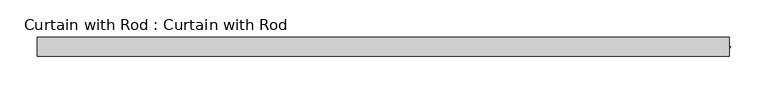
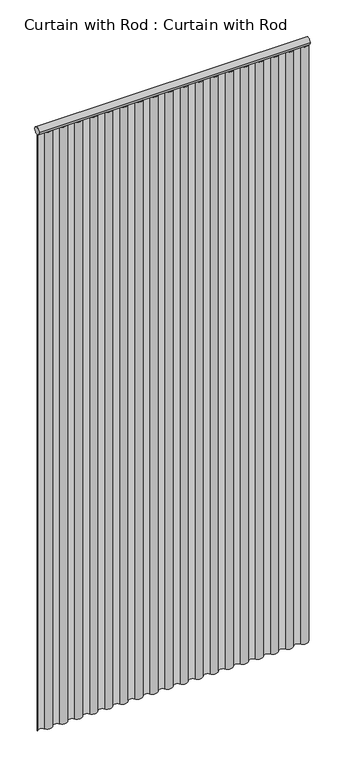
"""IFC4 building model written with IfcOpenShell, lengths in millimetres: proxy geometry, Curtain with Rod : Curtain with Rod."""

from ifc_helpers import new_model, si_unit, point, frame, frame_2d, origin, origin_with_axes, place, context, project, spatial, polyline, circle_curve, trimmed, segment, composite_curve, outline, extrude, source, transform, mapped, element, save


def curtain_with_rod_curtain_with_rod_7f2eb4d7(model_context):
    return source(origin(), model_context, "Body", "SweptSolid", [
        extrude(outline(composite_curve([segment(trimmed(circle_curve(frame_2d((0.0, 2171.7)), 12.7), [point((-12.7, 2171.7))], [point((12.7, 2171.7))], False, "CARTESIAN"), True, "CONTINUOUS"), segment(trimmed(circle_curve(frame_2d((0.0, 2171.7)), 12.7), [point((12.7, 2171.7))], [point((-12.7, 2171.7))], False, "CARTESIAN"), True, "CONTINUOUS")], self_intersect=False)), frame((-464.34375, 0.0, 0.0), z_axis=(1.0, 0.0, 0.0), x_axis=(0.0, 1.0, 0.0)), (0.0, 0.0, 1.0), 928.6875),
        extrude(outline(composite_curve([segment(trimmed(circle_curve(frame_2d((-425.6484375, 7.776692)), 15.0614285), [point((-438.546875, 0.0))], [point((-412.75, 0.0))], True, "CARTESIAN"), True, "CONTINUOUS"), segment(trimmed(circle_curve(frame_2d((-399.8515625, -7.776692)), 15.0614285), [point((-412.75, 0.0))], [point((-386.953125, 0.0))], False, "CARTESIAN"), True, "CONTINUOUS"), segment(trimmed(circle_curve(frame_2d((-374.0546875, 7.776692)), 15.0614285), [point((-386.953125, 0.0))], [point((-361.15625, 0.0))], True, "CARTESIAN"), True, "CONTINUOUS"), segment(trimmed(circle_curve(frame_2d((-348.2578125, -7.776692)), 15.0614285), [point((-361.15625, 0.0))], [point((-335.359375, 0.0))], False, "CARTESIAN"), True, "CONTINUOUS"), segment(trimmed(circle_curve(frame_2d((-322.4609375, 7.776692)), 15.0614285), [point((-335.359375, 0.0))], [point((-309.5625, 0.0))], True, "CARTESIAN"), True, "CONTINUOUS"), segment(trimmed(circle_curve(frame_2d((-296.6640625, -7.776692)), 15.0614285), [point((-309.5625, 0.0))], [point((-283.765625, 0.0))], False, "CARTESIAN"), True, "CONTINUOUS"), segment(trimmed(circle_curve(frame_2d((-270.8671875, 7.776692)), 15.0614285), [point((-283.765625, 0.0))], [point((-257.96875, 0.0))], True, "CARTESIAN"), True, "CONTINUOUS"), segment(trimmed(circle_curve(frame_2d((-245.0703125, -7.776692)), 15.0614285), [point((-257.96875, 0.0))], [point((-232.171875, 0.0))], False, "CARTESIAN"), True, "CONTINUOUS"), segment(trimmed(circle_curve(frame_2d((-219.2734375, 7.776692)), 15.0614285), [point((-232.171875, 0.0))], [point((-206.375, 0.0))], True, "CARTESIAN"), True, "CONTINUOUS"), segment(trimmed(circle_curve(frame_2d((-193.4765625, -7.776692)), 15.0614285), [point((-206.375, 0.0))], [point((-180.578125, 0.0))], False, "CARTESIAN"), True, "CONTINUOUS"), segment(trimmed(circle_curve(frame_2d((-167.6796875, 7.776692)), 15.0614285), [point((-180.578125, 0.0))], [point((-154.78125, 0.0))], True, "CARTESIAN"), True, "CONTINUOUS"), segment(trimmed(circle_curve(frame_2d((-141.8828125, -7.776692)), 15.0614285), [point((-154.78125, 0.0))], [point((-128.984375, 0.0))], False, "CARTESIAN"), True, "CONTINUOUS"), segment(trimmed(circle_curve(frame_2d((-116.0859375, 7.776692)), 15.0614285), [point((-128.984375, 0.0))], [point((-103.1875, 0.0))], True, "CARTESIAN"), True, "CONTINUOUS"), segment(trimmed(circle_curve(frame_2d((-90.2890625, -7.776692)), 15.0614285), [point((-103.1875, 0.0))], [point((-77.390625, 0.0))], False, "CARTESIAN"), True, "CONTINUOUS"), segment(trimmed(circle_curve(frame_2d((-64.4921875, 7.776692)), 15.0614285), [point((-77.390625, 0.0))], [point((-51.59375, 0.0))], True, "CARTESIAN"), True, "CONTINUOUS"), segment(trimmed(circle_curve(frame_2d((-38.6953125, -7.776692)), 15.0614285), [point((-51.59375, 0.0))], [point((-25.796875, 0.0))], False, "CARTESIAN"), True, "CONTINUOUS"), segment(trimmed(circle_curve(frame_2d((-12.8984375, 7.776692)), 15.0614285), [point((-25.796875, 0.0))], [point((0.0, 0.0))], True, "CARTESIAN"), True, "CONTINUOUS"), segment(trimmed(circle_curve(frame_2d((12.8984375, -7.776692)), 15.0614285), [point((0.0, 0.0))], [point((25.796875, 0.0))], False, "CARTESIAN"), True, "CONTINUOUS"), segment(trimmed(circle_curve(frame_2d((38.6953125, 7.776692)), 15.0614285), [point((25.796875, 0.0))], [point((51.59375, 0.0))], True, "CARTESIAN"), True, "CONTINUOUS"), segment(trimmed(circle_curve(frame_2d((64.4921875, -7.776692)), 15.0614285), [point((51.59375, 0.0))], [point((77.390625, 0.0))], False, "CARTESIAN"), True, "CONTINUOUS"), segment(trimmed(circle_curve(frame_2d((90.2890625, 7.776692)), 15.0614285), [point((77.390625, 0.0))], [point((103.1875, 0.0))], True, "CARTESIAN"), True, "CONTINUOUS"), segment(trimmed(circle_curve(frame_2d((116.0859375, -7.776692)), 15.0614285), [point((103.1875, 0.0))], [point((128.984375, 0.0))], False, "CARTESIAN"), True, "CONTINUOUS"), segment(trimmed(circle_curve(frame_2d((141.8828125, 7.776692)), 15.0614285), [point((128.984375, 0.0))], [point((154.78125, 0.0))], True, "CARTESIAN"), True, "CONTINUOUS"), segment(trimmed(circle_curve(frame_2d((167.6796875, -7.776692)), 15.0614285), [point((154.78125, 0.0))], [point((180.578125, 0.0))], False, "CARTESIAN"), True, "CONTINUOUS"), segment(trimmed(circle_curve(frame_2d((193.4765625, 7.776692)), 15.0614285), [point((180.578125, 0.0))], [point((206.375, 0.0))], True, "CARTESIAN"), True, "CONTINUOUS"), segment(trimmed(circle_curve(frame_2d((219.2734375, -7.776692)), 15.0614285), [point((206.375, 0.0))], [point((232.171875, 0.0))], False, "CARTESIAN"), True, "CONTINUOUS"), segment(trimmed(circle_curve(frame_2d((245.0703125, 7.776692)), 15.0614285), [point((232.171875, 0.0))], [point((257.96875, 0.0))], True, "CARTESIAN"), True, "CONTINUOUS"), segment(trimmed(circle_curve(frame_2d((270.8671875, -7.776692)), 15.0614285), [point((257.96875, 0.0))], [point((283.765625, 0.0))], False, "CARTESIAN"), True, "CONTINUOUS"), segment(trimmed(circle_curve(frame_2d((296.6640625, 7.776692)), 15.0614285), [point((283.765625, 0.0))], [point((309.5625, 0.0))], True, "CARTESIAN"), True, "CONTINUOUS"), segment(trimmed(circle_curve(frame_2d((322.4609375, -7.776692)), 15.0614285), [point((309.5625, 0.0))], [point((335.359375, 0.0))], False, "CARTESIAN"), True, "CONTINUOUS"), segment(trimmed(circle_curve(frame_2d((348.2578125, 7.776692)), 15.0614285), [point((335.359375, 0.0))], [point((361.15625, 0.0))], True, "CARTESIAN"), True, "CONTINUOUS"), segment(trimmed(circle_curve(frame_2d((374.0546875, -7.776692)), 15.0614285), [point((361.15625, 0.0))], [point((386.953125, 0.0))], False, "CARTESIAN"), True, "CONTINUOUS"), segment(trimmed(circle_curve(frame_2d((399.8515625, 7.7823037)), 15.0643268), [point((386.953125, 0.0))], [point((412.75, 0.0))], True, "CARTESIAN"), True, "CONTINUOUS"), segment(trimmed(circle_curve(frame_2d((425.6484375, -7.7275418)), 15.0361096), [point((412.75, 0.0))], [point((438.546875, 0.0))], False, "CARTESIAN"), True, "CONTINUOUS"), segment(trimmed(circle_curve(frame_2d((451.4453125, 8.0771067)), 15.2187169), [point((438.546875, 0.0))], [point((464.34375, 0.0))], True, "CARTESIAN"), True, "CONTINUOUS"), segment(polyline([(464.34375, 0.0), (466.1747994, 0.0)]), True, "CONTINUOUS"), segment(trimmed(circle_curve(frame_2d((451.4453125, 8.0771067)), 16.7987332), [point((466.1747994, 0.0))], [point((437.1211234, -0.6987149))], False, "CARTESIAN"), True, "CONTINUOUS"), segment(trimmed(circle_curve(frame_2d((425.6484375, -7.7275418)), 13.4546249), [point((437.1211234, -0.6987149))], [point((414.1174519, -0.7947716))], True, "CARTESIAN"), True, "CONTINUOUS"), segment(trimmed(circle_curve(frame_2d((399.8515625, 7.7823037)), 16.6457749), [point((414.1174519, -0.7947716))], [point((385.5976798, -0.8147104))], False, "CARTESIAN"), True, "CONTINUOUS"), segment(trimmed(circle_curve(frame_2d((374.0546875, -7.776692)), 13.4799799), [point((385.5976798, -0.8147104))], [point((362.5105847, -0.8165519))], True, "CARTESIAN"), True, "CONTINUOUS"), segment(trimmed(circle_curve(frame_2d((348.2578125, 7.776692)), 16.642877), [point((362.5105847, -0.8165519))], [point((334.0050403, -0.8165519))], False, "CARTESIAN"), True, "CONTINUOUS"), segment(trimmed(circle_curve(frame_2d((322.4609375, -7.776692)), 13.4799799), [point((334.0050403, -0.8165519))], [point((310.9168347, -0.8165519))], True, "CARTESIAN"), True, "CONTINUOUS"), segment(trimmed(circle_curve(frame_2d((296.6640625, 7.776692)), 16.642877), [point((310.9168347, -0.8165519))], [point((282.4112903, -0.8165519))], False, "CARTESIAN"), True, "CONTINUOUS"), segment(trimmed(circle_curve(frame_2d((270.8671875, -7.776692)), 13.4799799), [point((282.4112903, -0.8165519))], [point((259.3230847, -0.8165519))], True, "CARTESIAN"), True, "CONTINUOUS"), segment(trimmed(circle_curve(frame_2d((245.0703125, 7.776692)), 16.642877), [point((259.3230847, -0.8165519))], [point((230.8175403, -0.8165519))], False, "CARTESIAN"), True, "CONTINUOUS"), segment(trimmed(circle_curve(frame_2d((219.2734375, -7.776692)), 13.4799799), [point((230.8175403, -0.8165519))], [point((207.7293347, -0.8165519))], True, "CARTESIAN"), True, "CONTINUOUS"), segment(trimmed(circle_curve(frame_2d((193.4765625, 7.776692)), 16.642877), [point((207.7293347, -0.8165519))], [point((179.2237903, -0.8165519))], False, "CARTESIAN"), True, "CONTINUOUS"), segment(trimmed(circle_curve(frame_2d((167.6796875, -7.776692)), 13.4799799), [point((179.2237903, -0.8165519))], [point((156.1355847, -0.8165519))], True, "CARTESIAN"), True, "CONTINUOUS"), segment(trimmed(circle_curve(frame_2d((141.8828125, 7.776692)), 16.642877), [point((156.1355847, -0.8165519))], [point((127.6300403, -0.8165519))], False, "CARTESIAN"), True, "CONTINUOUS"), segment(trimmed(circle_curve(frame_2d((116.0859375, -7.776692)), 13.4799799), [point((127.6300403, -0.8165519))], [point((104.5418347, -0.8165519))], True, "CARTESIAN"), True, "CONTINUOUS"), segment(trimmed(circle_curve(frame_2d((90.2890625, 7.776692)), 16.642877), [point((104.5418347, -0.8165519))], [point((76.0362903, -0.8165519))], False, "CARTESIAN"), True, "CONTINUOUS"), segment(trimmed(circle_curve(frame_2d((64.4921875, -7.776692)), 13.4799799), [point((76.0362903, -0.8165519))], [point((52.9480847, -0.8165519))], True, "CARTESIAN"), True, "CONTINUOUS"), segment(trimmed(circle_curve(frame_2d((38.6953125, 7.776692)), 16.642877), [point((52.9480847, -0.8165519))], [point((24.4425403, -0.8165519))], False, "CARTESIAN"), True, "CONTINUOUS"), segment(trimmed(circle_curve(frame_2d((12.8984375, -7.776692)), 13.4799799), [point((24.4425403, -0.8165519))], [point((1.3543347, -0.8165519))], True, "CARTESIAN"), True, "CONTINUOUS"), segment(trimmed(circle_curve(frame_2d((-12.8984375, 7.776692)), 16.642877), [point((1.3543347, -0.8165519))], [point((-27.1512097, -0.8165519))], False, "CARTESIAN"), True, "CONTINUOUS"), segment(trimmed(circle_curve(frame_2d((-38.6953125, -7.776692)), 13.4799799), [point((-27.1512097, -0.8165519))], [point((-50.2394153, -0.8165519))], True, "CARTESIAN"), True, "CONTINUOUS"), segment(trimmed(circle_curve(frame_2d((-64.4921875, 7.776692)), 16.642877), [point((-50.2394153, -0.8165519))], [point((-78.7449597, -0.8165519))], False, "CARTESIAN"), True, "CONTINUOUS"), segment(trimmed(circle_curve(frame_2d((-90.2890625, -7.776692)), 13.4799799), [point((-78.7449597, -0.8165519))], [point((-101.8331653, -0.8165519))], True, "CARTESIAN"), True, "CONTINUOUS"), segment(trimmed(circle_curve(frame_2d((-116.0859375, 7.776692)), 16.642877), [point((-101.8331653, -0.8165519))], [point((-130.3387097, -0.8165519))], False, "CARTESIAN"), True, "CONTINUOUS"), segment(trimmed(circle_curve(frame_2d((-141.8828125, -7.776692)), 13.4799799), [point((-130.3387097, -0.8165519))], [point((-153.4269153, -0.8165519))], True, "CARTESIAN"), True, "CONTINUOUS"), segment(trimmed(circle_curve(frame_2d((-167.6796875, 7.776692)), 16.642877), [point((-153.4269153, -0.8165519))], [point((-181.9324597, -0.8165519))], False, "CARTESIAN"), True, "CONTINUOUS"), segment(trimmed(circle_curve(frame_2d((-193.4765625, -7.776692)), 13.4799799), [point((-181.9324597, -0.8165519))], [point((-205.0206653, -0.8165519))], True, "CARTESIAN"), True, "CONTINUOUS"), segment(trimmed(circle_curve(frame_2d((-219.2734375, 7.776692)), 16.642877), [point((-205.0206653, -0.8165519))], [point((-233.5262097, -0.8165519))], False, "CARTESIAN"), True, "CONTINUOUS"), segment(trimmed(circle_curve(frame_2d((-245.0703125, -7.776692)), 13.4799799), [point((-233.5262097, -0.8165519))], [point((-256.6144153, -0.8165519))], True, "CARTESIAN"), True, "CONTINUOUS"), segment(trimmed(circle_curve(frame_2d((-270.8671875, 7.776692)), 16.642877), [point((-256.6144153, -0.8165519))], [point((-285.1199597, -0.8165519))], False, "CARTESIAN"), True, "CONTINUOUS"), segment(trimmed(circle_curve(frame_2d((-296.6640625, -7.776692)), 13.4799799), [point((-285.1199597, -0.8165519))], [point((-308.2081653, -0.8165519))], True, "CARTESIAN"), True, "CONTINUOUS"), segment(trimmed(circle_curve(frame_2d((-322.4609375, 7.776692)), 16.642877), [point((-308.2081653, -0.8165519))], [point((-336.7137097, -0.8165519))], False, "CARTESIAN"), True, "CONTINUOUS"), segment(trimmed(circle_curve(frame_2d((-348.2578125, -7.776692)), 13.4799799), [point((-336.7137097, -0.8165519))], [point((-359.8019153, -0.8165519))], True, "CARTESIAN"), True, "CONTINUOUS"), segment(trimmed(circle_curve(frame_2d((-374.0546875, 7.776692)), 16.642877), [point((-359.8019153, -0.8165519))], [point((-388.3074597, -0.8165519))], False, "CARTESIAN"), True, "CONTINUOUS"), segment(trimmed(circle_curve(frame_2d((-399.8515625, -7.776692)), 13.4799799), [point((-388.3074597, -0.8165519))], [point((-411.3956653, -0.8165519))], True, "CARTESIAN"), True, "CONTINUOUS"), segment(trimmed(circle_curve(frame_2d((-425.6484375, 7.776692)), 16.642877), [point((-411.3956653, -0.8165519))], [point((-439.9039725, -0.8119678))], False, "CARTESIAN"), True, "CONTINUOUS"), segment(trimmed(circle_curve(frame_2d((-451.4453125, -7.485519)), 13.3318721), [point((-439.9039725, -0.8119678))], [point((-462.4773485, 0.0))], True, "CARTESIAN"), True, "CONTINUOUS"), segment(polyline([(-462.4773485, 0.0), (-464.34375, 0.0)]), True, "CONTINUOUS"), segment(trimmed(circle_curve(frame_2d((-451.4453125, -7.485519)), 14.9131715), [point((-464.34375, 0.0))], [point((-438.546875, 0.0))], False, "CARTESIAN"), True, "CONTINUOUS")], self_intersect=False)), origin_with_axes(), (0.0, 0.0, 1.0), 2159.0),
    ])


if __name__ == "__main__":
    model = new_model("IFC4")
    model_context = context("Model", 3, world=origin())
    ifc_project = project(units=[si_unit("LENGTHUNIT", "METRE", prefix="MILLI")], contexts=[model_context])
    site = spatial("IfcSite", under=ifc_project)
    building = spatial("IfcBuilding", under=site)
    placement = place(None, origin())
    curtain_with_rod_curtain_with_rod_shape = curtain_with_rod_curtain_with_rod_7f2eb4d7(model_context)
    element("IfcBuildingElementProxy", 1, Name="Curtain with Rod : Curtain with Rod", ObjectType="Curtain with Rod : Curtain with Rod", at=placement, inside=building, context=model_context, shape_type="MappedRepresentation", body=[
        mapped(curtain_with_rod_curtain_with_rod_shape, transform((0.0, 0.0, 0.0), x_axis=(1.0, 0.0, 0.0), y_axis=(0.0, 1.0, 0.0), z_axis=(0.0, 0.0, 1.0))),
    ])
    save(model, "model.ifc")
